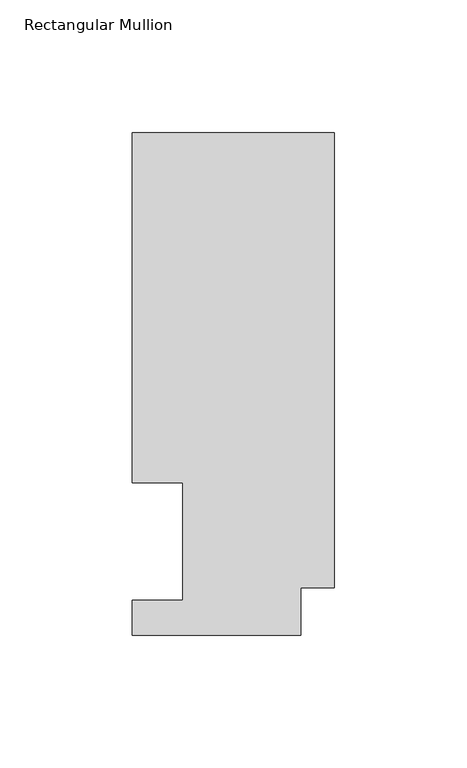
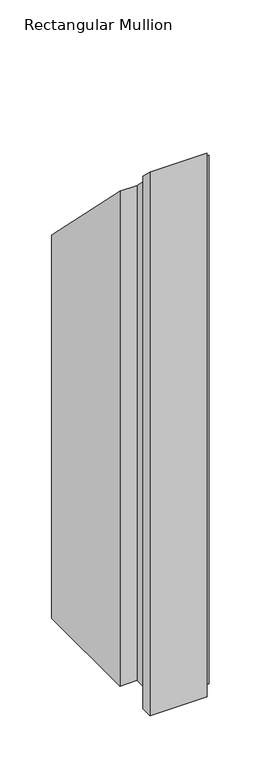
"""IFC4 building model written with IfcOpenShell, lengths in millimetres: member geometry, Rectangular Mullion."""

from ifc_helpers import new_model, si_unit, origin, place, context, project, spatial, faceted_brep, source, transform, mapped, element, save


def rectangular_mullion_bedf2772(model_context):
    return source(origin(), model_context, "Body", "Brep", [
        faceted_brep([(0.0, 189.8022938, -641.35), (0.0, 17.9712937, -641.35), (-12.7, 17.9712937, -641.35), (-12.7, 0.0134938, -641.35), (-76.2, 0.0134938, -641.35), (-76.2, 13.1960938, -641.35), (-57.1627, 13.1960938, -641.35), (-57.1627, 57.6460937, -641.35), (-76.2, 57.6460937, -641.35), (-76.2, 189.8022938, -641.35), (-76.2, 189.8022938, -189.8022938), (0.0, 189.8022938, -189.8022938), (-76.2, 57.6460937, -57.6460938), (-57.1627, 57.6460937, -57.6460938), (-57.1627, 13.1960938, -13.1960938), (-76.2, 13.1960938, -13.1960938), (-76.2, 0.0134938, -0.0134938), (-12.7, 0.0134938, -0.0134938), (-12.7, 17.9712937, -17.9712937), (0.0, 17.9712937, -17.9712937)], [[[0, 1, 2, 3, 4, 5, 6, 7, 8, 9]], [[10, 11, 0, 9]], [[12, 10, 9, 8]], [[13, 12, 8, 7]], [[14, 13, 7, 6]], [[15, 14, 6, 5]], [[16, 15, 5, 4]], [[17, 16, 4, 3]], [[18, 17, 3, 2]], [[19, 18, 2, 1]], [[11, 19, 1, 0]], [[11, 10, 12, 13, 14, 15, 16, 17, 18, 19]]]),
    ])


if __name__ == "__main__":
    model = new_model("IFC4")
    model_context = context("Model", 3, world=origin())
    ifc_project = project(units=[si_unit("LENGTHUNIT", "METRE", prefix="MILLI")], contexts=[model_context])
    site = spatial("IfcSite", under=ifc_project)
    building = spatial("IfcBuilding", under=site)
    placement = place(None, origin())
    rectangular_mullion_shape = rectangular_mullion_bedf2772(model_context)
    element("IfcMember", 1, ObjectType="Rectangular Mullion", at=placement, inside=building, context=model_context, shape_type="MappedRepresentation", body=[
        mapped(rectangular_mullion_shape, transform((0.0, 0.0, 0.0), x_axis=(1.0, 0.0, 0.0), y_axis=(0.0, 1.0, 0.0), z_axis=(0.0, 0.0, 1.0))),
    ])
    save(model, "model.ifc")
